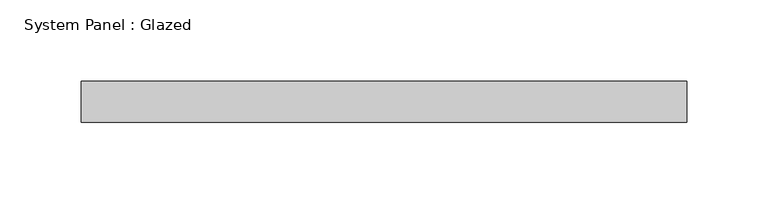
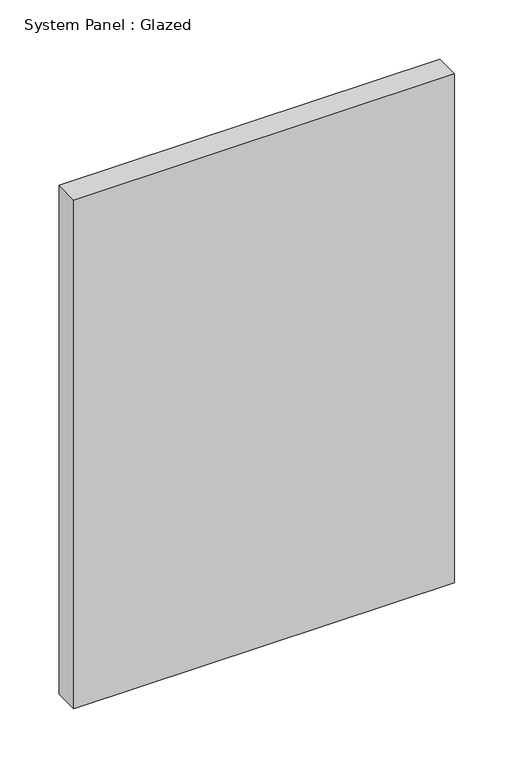
"""IFC4 building model written with IfcOpenShell, lengths in millimetres: plate geometry, System Panel : Glazed."""

from ifc_helpers import new_model, si_unit, origin, origin_with_axes, place, context, project, spatial, polyline, outline, extrude, source, transform, mapped, element, save


def system_panel_glazed_ea73b38b(model_context):
    return source(origin(), model_context, "Body", "SweptSolid", [
        extrude(outline(polyline([(185.9054077, -49.5), (-185.9054077, -49.5), (-185.9054077, -24.5), (185.9054077, -24.5), (185.9054077, -49.5)])), origin_with_axes(), (0.0, 0.0, 1.0), 525.0),
    ])


if __name__ == "__main__":
    model = new_model("IFC4")
    model_context = context("Model", 3, world=origin())
    ifc_project = project(units=[si_unit("LENGTHUNIT", "METRE", prefix="MILLI")], contexts=[model_context])
    site = spatial("IfcSite", under=ifc_project)
    building = spatial("IfcBuilding", under=site)
    placement = place(None, origin())
    system_panel_glazed_shape = system_panel_glazed_ea73b38b(model_context)
    element("IfcPlate", 1, ObjectType="System Panel : Glazed", at=placement, inside=building, context=model_context, shape_type="MappedRepresentation", body=[
        mapped(system_panel_glazed_shape, transform((0.0, 0.0, 0.0), x_axis=(1.0, 0.0, 0.0), y_axis=(0.0, 1.0, 0.0), z_axis=(0.0, 0.0, 1.0))),
    ])
    save(model, "model.ifc")
